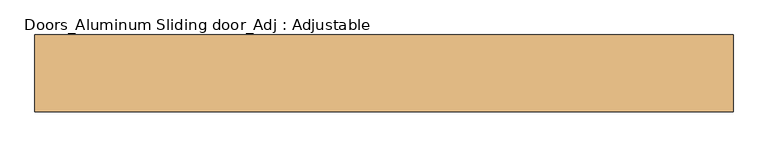
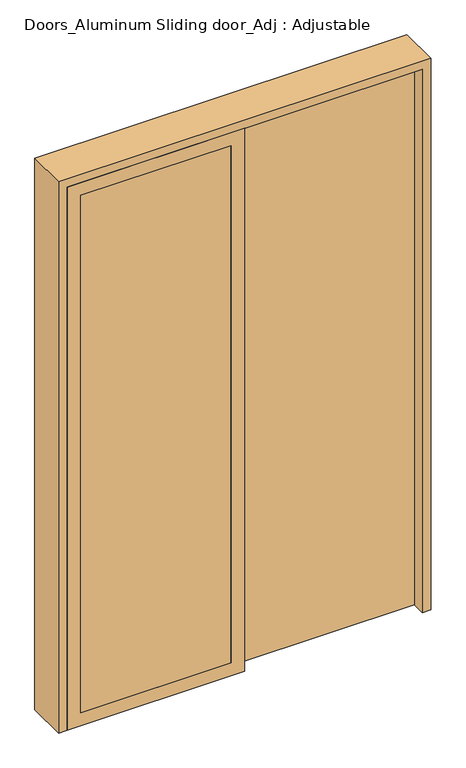
"""IFC4 building model written with IfcOpenShell, lengths in millimetres: door geometry, Doors_Aluminum Sliding door_Adj : Adjustable."""

from ifc_helpers import new_model, si_unit, frame, origin, origin_with_axes, place, context, project, spatial, polyline, outline, extrude, source, transform, mapped, element, save


def doors_aluminum_sliding_door_adj_adjustable_c8a0d050(model_context):
    return source(origin(), model_context, "Body", "SweptSolid", [
        extrude(outline(polyline([(0.0, 0.547446), (2133.6, 0.547446), (2133.6, -659.852554), (0.0, -659.852554), (0.0, 0.547446)]), holes=[polyline([(2082.8, -50.252554), (50.8, -50.252554), (50.8, -609.052554), (2082.8, -609.052554), (2082.8, -50.252554)])]), frame((0.0, 0.0, 0.0), z_axis=(0.0, 1.0, 0.0), x_axis=(0.0, 0.0, 1.0)), (0.0, 0.0, 1.0), 25.4),
        extrude(outline(polyline([(0.0, 0.547446), (2133.6, 0.547446), (2133.6, -659.852554), (0.0, -659.852554), (0.0, 0.547446)]), holes=[polyline([(2082.8, -50.252554), (50.8, -50.252554), (50.8, -609.052554), (2082.8, -609.052554), (2082.8, -50.252554)])]), frame((0.0, -50.8, 0.0), z_axis=(0.0, 1.0, 0.0), x_axis=(0.0, 0.0, 1.0)), (0.0, 0.0, 1.0), 25.4),
        extrude(outline(polyline([(660.947446, 50.8), (660.947446, 0.0), (0.547446, 0.0), (0.547446, 50.8), (660.947446, 50.8)])), origin_with_axes(), (0.0, 0.0, 1.0), 2133.6),
        extrude(outline(polyline([(0.547446, 0.0), (0.547446, -50.8), (-659.852554, -50.8), (-659.852554, 0.0), (0.547446, 0.0)])), origin_with_axes(), (0.0, 0.0, 1.0), 2133.6),
        extrude(outline(polyline([(0.0, 692.697446), (2165.35, 692.697446), (2165.35, -691.602554), (0.0, -691.602554), (0.0, -659.852554), (2133.6, -659.852554), (2133.6, 660.947446), (0.0, 660.947446), (0.0, 692.697446)])), frame((0.0, -50.8, 0.0), z_axis=(0.0, 1.0, 0.0), x_axis=(0.0, 0.0, 1.0)), (0.0, 0.0, 1.0), 152.4),
    ])


if __name__ == "__main__":
    model = new_model("IFC4")
    model_context = context("Model", 3, world=origin())
    ifc_project = project(units=[si_unit("LENGTHUNIT", "METRE", prefix="MILLI")], contexts=[model_context])
    site = spatial("IfcSite", under=ifc_project)
    building = spatial("IfcBuilding", under=site)
    placement = place(None, origin())
    doors_aluminum_sliding_door_adj_adjustable_shape = doors_aluminum_sliding_door_adj_adjustable_c8a0d050(model_context)
    element("IfcDoor", 1, ObjectType="Doors_Aluminum Sliding door_Adj : Adjustable", at=placement, inside=building, context=model_context, shape_type="MappedRepresentation", body=[
        mapped(doors_aluminum_sliding_door_adj_adjustable_shape, transform((0.0, 0.0, 0.0), x_axis=(1.0, 0.0, 0.0), y_axis=(0.0, 1.0, 0.0), z_axis=(0.0, 0.0, 1.0))),
    ])
    save(model, "model.ifc")
